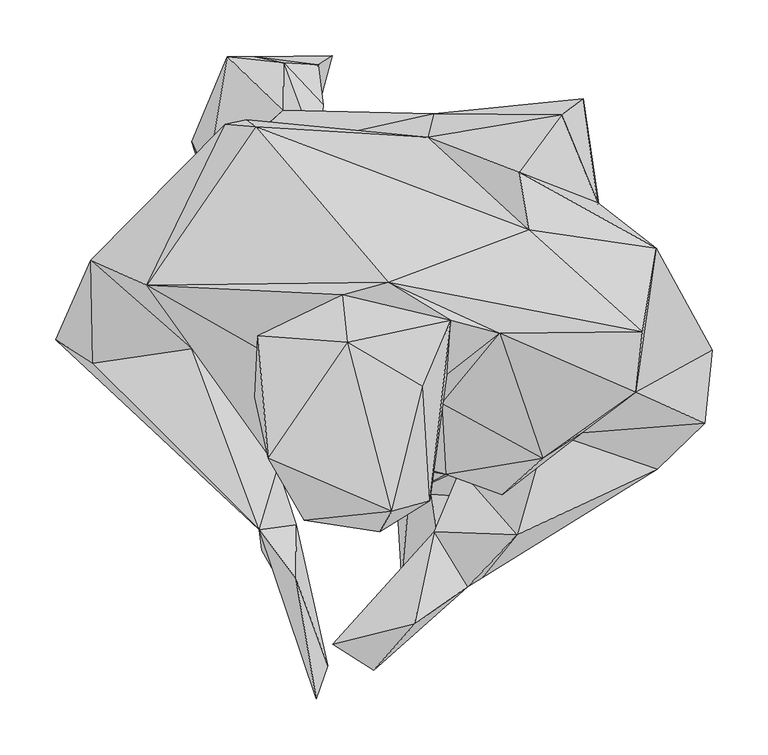
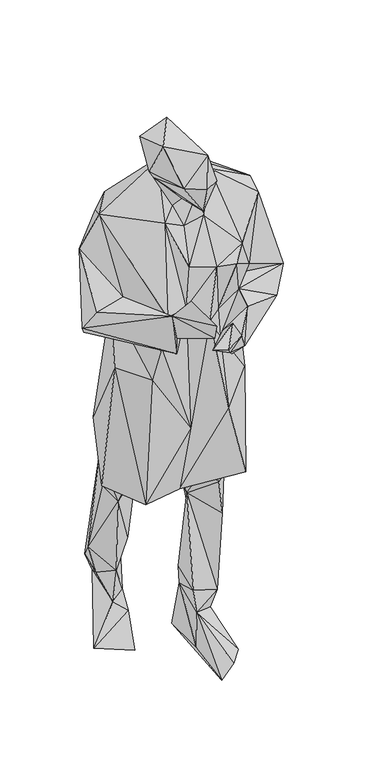
"""IFC4 building model written with IfcOpenShell, lengths in millimetres: geographic element geometry."""

from ifc_helpers import new_model, si_unit, origin, place, context, project, spatial, faceted_brep, source, transform, mapped, element, save


def geographic_element_c72b000a(model_context):
    return source(origin(), model_context, "Body", "Brep", [
        faceted_brep([(90.1409686, 254.1973889, 689.1126037), (-92.7984789, 213.7549669, 1117.0594692), (84.621124, 232.8322977, 1119.8000908), (-45.5000922, 257.4651837, 575.9143829), (-117.2969043, 127.6191771, 1135.6620789), (-114.52806, 189.2701834, 1259.1248751), (-78.3901662, 248.6460507, 1226.1654139), (-168.1571752, 139.9508417, 1107.8401804), (-97.7658033, 244.6776479, 1362.3737097), (-70.5478862, 242.5211668, 1414.4587517), (-218.7433094, 122.1434399, 1350.0766754), (-168.6298549, 99.5136648, 1460.1006508), (-250.705868, 50.4348651, 1141.9235468), (-226.1507213, 84.8301575, 1098.7994671), (-216.9576436, 29.338669, 1195.8404779), (-127.8218925, 42.5285175, 1207.0680857), (-67.1372488, -120.752722, 1220.8483219), (-48.2647456, -111.9251773, 1085.0476027), (-66.2906244, -60.9335974, 1077.0834684), (-64.8473799, -139.2785907, 1157.2078466), (-33.7198824, -116.0143688, 1165.4859781), (-5.4179537, -243.1167513, 1200.2468109), (-34.2251211, -164.4188166, 1285.2188349), (-50.5829714, -65.2454793, 1176.4711142), (-15.9923118, -273.0131745, 1261.7781162), (-14.8788895, 12.1657113, 1429.6443462), (11.9566815, -57.1521632, 1182.8858852), (7.8937421, 91.1377966, 1582.0288658), (48.8592647, 102.1218076, 1590.3259516), (175.3660738, 149.392873, 1496.0632324), (277.8891325, 57.4851409, 1459.0123892), (149.3676752, 56.3286468, 1527.9836655), (105.1133424, 68.0006742, 1573.5815763), (290.5149162, 132.8596175, 1392.105341), (166.8946147, 201.508373, 1395.4644203), (205.2782625, 253.3980608, 954.9127221), (237.5632972, 174.0982234, 1096.5903997), (224.8534709, 267.7769661, 576.9101381), (104.0324867, 223.3335525, 582.4520588), (252.6039481, 78.2441571, 574.2442608), (194.8520094, 48.8949828, 588.3164406), (208.3874345, 173.925966, 623.8923669), (19.6298398, 185.2555573, 594.1051841), (42.272225, 99.5924398, 619.8294163), (179.7556877, 109.3537956, 586.9771838), (116.6572124, 136.2250745, 437.6473427), (144.5547342, 138.2134855, 291.5285528), (90.2407542, 74.0625188, 464.2560184), (170.2758372, 96.1376876, 210.3926539), (87.4183327, 115.3977886, 198.2941628), (154.4305831, 57.8317717, 118.2989925), (88.183023, 111.5942895, 144.9475884), (143.1178004, 1.0861116, 170.5405414), (73.5268146, 9.7403415, 187.5296831), (75.2284676, -4.7225901, 121.4596331), (162.8757864, 8.4683103, 410.7897282), (123.2411042, 4.569232, 118.0384904), (136.1095458, 115.412496, -0.1018886), (157.9704285, -88.4403661, 22.4449076), (61.2119511, -165.5669063, -0.5934749), (78.5897374, 134.5339417, 0.4611248), (98.8235623, -164.3505394, 41.3657278), (53.5923615, -39.6168157, 33.1022479), (166.4922982, -34.0938233, 604.3559909), (138.6105418, -15.9681533, 538.2450223), (87.1767476, -25.3912732, 603.4085751), (-68.8683018, -15.6551339, 625.5908608), (2.8644358, -39.0306935, 576.0309696), (-59.9283613, 73.523663, 617.5542474), (-183.0014139, 60.9346442, 591.7428136), (-133.5959435, 155.6942165, 610.2812886), (-116.0196215, -59.8180704, 577.6875019), (0.984223, 197.3771751, 481.3743532), (-84.4908729, 142.2280967, 456.3433826), (-13.2234609, 214.3652588, 269.595176), (-128.0960441, 229.1496098, 267.9387033), (-66.0826489, 184.6284717, 195.0253099), (-112.3138219, 178.3691645, 494.871974), (-45.213338, 300.3750145, 199.3151456), (-9.5596733, 262.5785172, 199.80672), (-95.9990397, 305.4337204, 187.4540597), (-13.8820615, 298.4370291, 158.5838497), (-71.4669898, 305.6700528, 125.8376837), (-42.5558314, 192.5075203, 121.0867465), (-39.6850929, 165.2528346, 65.1992634), (-1.3203504, 306.4620495, 0.2951619), (-79.0140927, 182.2913438, 97.9926884), (-91.1566988, 40.7008268, 27.3597203), (-163.4766161, 137.4687552, -0.1439045), (-109.2613637, 222.3251611, 181.5340072), (-113.9566377, 197.6786405, 575.5814314), (-151.7016441, 162.2035205, 747.3214865), (-146.2878883, 54.9410768, 971.7527628), (-87.7943784, -46.5515442, 972.4964499), (13.9093725, -78.9384693, 797.2007394), (68.6435178, -87.0706514, 1136.2198591), (126.0446161, -91.4781243, 831.6274881), (200.1060992, -54.3759614, 573.5562444), (100.658603, -70.5037713, 1294.8657274), (111.6415635, -60.0922257, 1146.75951), (113.7465686, -66.3126856, 1060.7802868), (26.4395699, -50.2216332, 1308.3707094), (97.145021, -6.9158212, 1428.7735224), (42.5715856, 7.3969038, 1404.0724039), (18.3315463, 28.1527713, 1467.3378468), (101.7741263, 18.9092662, 1518.1225538), (188.1546676, -56.2435649, 1334.8491192), (86.5086839, -94.5410803, 1600.1554728), (21.0846402, -17.697107, 1517.5406933), (-54.2961285, 3.1501439, 1599.6302366), (44.6062088, -93.5474038, 1512.1920109), (41.3184613, -122.3199069, 1602.5147438), (80.1894963, 8.5376361, 1646.2858915), (52.0388223, -104.2394042, 1701.2931108), (12.6625495, 48.0777696, 1749.4065762), (-59.2960268, -56.4809591, 1739.9991751), (-26.8817898, -112.3463809, 1623.0562925), (-71.0489303, -1.1270772, 1627.5457144), (-68.3588609, 54.0576875, 1710.8590603), (272.1360922, 3.0230461, 1439.0560389), (223.7368971, -33.1274569, 1241.7417765), (151.8833786, -89.2292187, 1299.4842529), (334.1715634, -24.582468, 1197.4569559), (191.7564869, -31.9205485, 1168.1824923), (208.7182999, 15.1246833, 1184.3931675), (165.203467, -125.2883375, 1175.4217148), (291.151464, -66.0521835, 1131.6957474), (341.0569131, 41.2165746, 1123.5793829), (115.507029, -124.9637678, 1035.38692), (221.2716192, 23.965884, 1070.8409548), (133.7797642, -163.9849991, 1078.7966251), (90.2785659, -122.4470064, 1122.1350431), (120.5363348, -171.9428301, 1121.3377714), (82.4783072, -175.6423265, 1081.7577839), (-1.1375812, -223.5131711, 1147.354126), (72.8965774, -205.4326683, 1199.6439695), (35.9036587, -247.0000684, 1151.5147686), (246.249035, 97.9254618, 1128.5246611), (232.1789563, 6.608055, 874.437511)], [[[0, 1, 2]], [[0, 3, 1]], [[1, 3, 4]], [[5, 1, 4]], [[6, 2, 1]], [[5, 6, 1]], [[5, 4, 7]], [[5, 8, 6]], [[5, 7, 8]], [[2, 6, 9]], [[9, 6, 8]], [[7, 10, 8]], [[9, 8, 11]], [[11, 8, 10]], [[10, 7, 12]], [[4, 13, 7]], [[13, 12, 7]], [[10, 14, 15]], [[15, 11, 10]], [[10, 12, 14]], [[16, 12, 17]], [[13, 17, 12]], [[12, 16, 14]], [[4, 18, 13]], [[17, 13, 18]], [[19, 16, 17]], [[20, 19, 17]], [[20, 17, 18]], [[16, 19, 21]], [[19, 20, 21]], [[21, 20, 22]], [[20, 23, 16]], [[18, 23, 20]], [[20, 16, 22]], [[24, 16, 21]], [[24, 21, 22]], [[22, 16, 24]], [[15, 16, 23]], [[15, 14, 16]], [[23, 25, 11]], [[15, 23, 11]], [[26, 23, 18]], [[25, 23, 26]], [[27, 11, 25]], [[28, 9, 11]], [[28, 11, 27]], [[9, 28, 29]], [[2, 9, 29]], [[29, 28, 30]], [[28, 31, 30]], [[28, 27, 32]], [[31, 28, 32]], [[29, 33, 34]], [[29, 30, 33]], [[29, 34, 2]], [[0, 2, 35]], [[2, 34, 35]], [[34, 33, 36]], [[35, 34, 36]], [[37, 35, 36]], [[35, 37, 0]], [[37, 38, 0]], [[3, 0, 38]], [[37, 36, 39]], [[37, 39, 40]], [[40, 41, 37]], [[41, 38, 37]], [[3, 38, 42]], [[43, 38, 41]], [[43, 42, 38]], [[41, 44, 43]], [[41, 40, 44]], [[43, 44, 45]], [[44, 40, 46]], [[45, 44, 46]], [[43, 45, 47]], [[46, 47, 45]], [[46, 40, 48]], [[49, 46, 48]], [[49, 47, 46]], [[50, 51, 48]], [[52, 50, 48]], [[40, 52, 48]], [[51, 49, 48]], [[49, 53, 47]], [[51, 53, 49]], [[54, 53, 51]], [[52, 53, 54]], [[47, 53, 52]], [[47, 52, 55]], [[40, 55, 52]], [[54, 56, 52]], [[50, 52, 56]], [[57, 51, 50]], [[50, 56, 57]], [[58, 56, 54]], [[56, 58, 57]], [[58, 59, 57]], [[60, 57, 59]], [[51, 57, 60]], [[61, 58, 54]], [[58, 61, 59]], [[60, 59, 62]], [[54, 62, 59]], [[54, 59, 61]], [[62, 54, 51]], [[60, 62, 51]], [[40, 63, 64]], [[39, 63, 40]], [[55, 40, 64]], [[65, 47, 64]], [[63, 65, 64]], [[55, 64, 47]], [[65, 43, 47]], [[65, 66, 43]], [[63, 67, 65]], [[66, 65, 67]], [[43, 66, 68]], [[43, 68, 42]], [[69, 70, 66]], [[71, 69, 66]], [[66, 67, 71]], [[66, 70, 68]], [[68, 72, 42]], [[72, 68, 73]], [[68, 70, 73]], [[3, 42, 72]], [[74, 3, 72]], [[73, 74, 72]], [[75, 76, 73]], [[76, 74, 73]], [[77, 73, 70]], [[75, 73, 77]], [[74, 78, 3]], [[78, 74, 79]], [[79, 74, 76]], [[3, 78, 80]], [[81, 82, 78]], [[78, 82, 80]], [[79, 81, 78]], [[83, 79, 76]], [[81, 79, 83]], [[84, 85, 81]], [[82, 81, 85]], [[84, 81, 83]], [[84, 83, 86]], [[76, 86, 83]], [[84, 87, 85]], [[87, 84, 88]], [[86, 88, 84]], [[88, 82, 85]], [[85, 87, 88]], [[88, 86, 82]], [[89, 82, 86]], [[89, 80, 82]], [[86, 76, 89]], [[89, 76, 75]], [[80, 89, 75]], [[90, 75, 77]], [[75, 90, 80]], [[70, 90, 77]], [[69, 91, 90]], [[70, 69, 90]], [[90, 3, 80]], [[91, 3, 90]], [[91, 4, 3]], [[91, 92, 4]], [[91, 69, 92]], [[69, 71, 92]], [[93, 92, 71]], [[93, 4, 92]], [[4, 93, 18]], [[93, 71, 94]], [[18, 93, 94]], [[94, 71, 67]], [[26, 18, 94]], [[26, 94, 95]], [[67, 95, 94]], [[96, 67, 97]], [[67, 96, 95]], [[67, 63, 97]], [[95, 98, 26]], [[95, 99, 98]], [[95, 100, 99]], [[95, 96, 100]], [[26, 98, 101]], [[101, 25, 26]], [[98, 102, 101]], [[103, 25, 101]], [[103, 101, 102]], [[25, 104, 27]], [[103, 104, 25]], [[105, 104, 103]], [[102, 105, 103]], [[31, 102, 106]], [[98, 106, 102]], [[31, 105, 102]], [[105, 32, 107]], [[104, 105, 108]], [[105, 107, 108]], [[105, 31, 32]], [[109, 104, 108]], [[104, 109, 27]], [[107, 110, 108]], [[110, 109, 108]], [[111, 110, 107]], [[107, 32, 112]], [[113, 107, 112]], [[113, 111, 107]], [[114, 32, 27]], [[114, 112, 32]], [[114, 113, 112]], [[115, 116, 113]], [[115, 113, 114]], [[113, 116, 111]], [[111, 116, 110]], [[110, 116, 109]], [[109, 117, 27]], [[109, 116, 117]], [[116, 115, 117]], [[114, 118, 115]], [[117, 115, 118]], [[27, 118, 114]], [[117, 118, 27]], [[119, 31, 106]], [[30, 31, 119]], [[119, 106, 120]], [[98, 121, 106]], [[106, 121, 120]], [[122, 119, 120]], [[121, 123, 120]], [[124, 122, 120]], [[123, 124, 120]], [[99, 123, 121]], [[99, 121, 98]], [[99, 100, 123]], [[123, 100, 125]], [[123, 125, 126]], [[122, 123, 126]], [[122, 124, 123]], [[127, 119, 122]], [[122, 126, 127]], [[128, 129, 126]], [[130, 128, 126]], [[130, 126, 125]], [[127, 126, 129]], [[131, 132, 125]], [[100, 131, 125]], [[132, 130, 125]], [[133, 128, 130]], [[133, 130, 132]], [[100, 128, 131]], [[129, 128, 100]], [[133, 131, 128]], [[131, 134, 135]], [[135, 132, 131]], [[133, 134, 131]], [[135, 136, 132]], [[133, 132, 136]], [[133, 136, 134]], [[136, 135, 134]], [[129, 137, 127]], [[129, 36, 137]], [[129, 138, 36]], [[138, 129, 100]], [[137, 33, 127]], [[137, 36, 33]], [[36, 138, 39]], [[96, 97, 138]], [[39, 138, 97]], [[100, 96, 138]], [[39, 97, 63]], [[119, 127, 33]], [[119, 33, 30]]]),
    ])


if __name__ == "__main__":
    model = new_model("IFC4")
    model_context = context("Model", 3, world=origin())
    ifc_project = project(units=[si_unit("LENGTHUNIT", "METRE", prefix="MILLI")], contexts=[model_context])
    site = spatial("IfcSite", under=ifc_project)
    building = spatial("IfcBuilding", under=site)
    placement = place(None, origin())
    geographic_element_shape = geographic_element_c72b000a(model_context)
    element("IfcGeographicElement", 1, at=placement, inside=building, context=model_context, shape_type="MappedRepresentation", body=[
        mapped(geographic_element_shape, transform((0.0, 0.0, 0.0), x_axis=(1.0, 0.0, 0.0), y_axis=(0.0, 1.0, 0.0), z_axis=(0.0, 0.0, 1.0))),
    ])
    save(model, "model.ifc")
